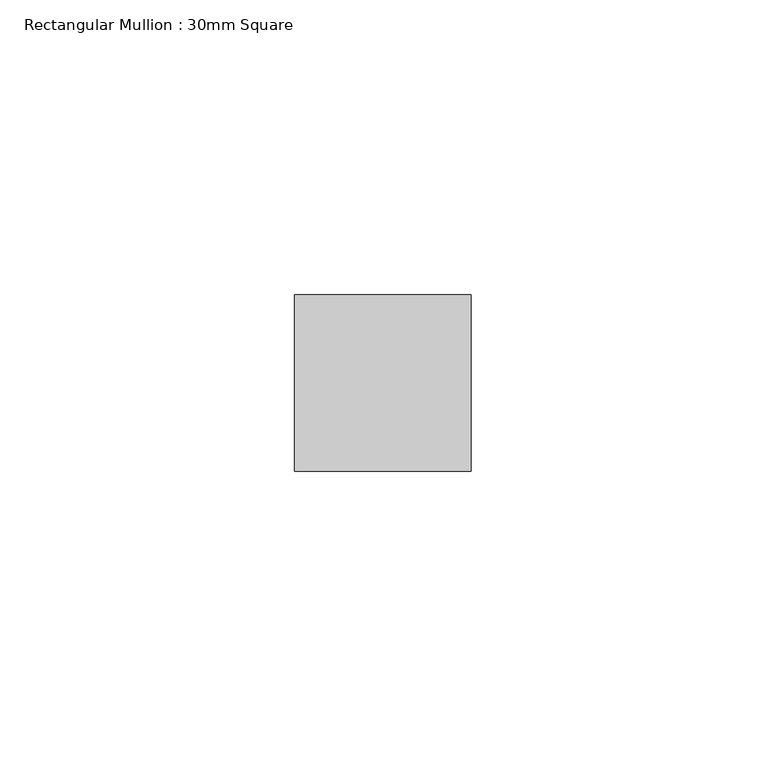
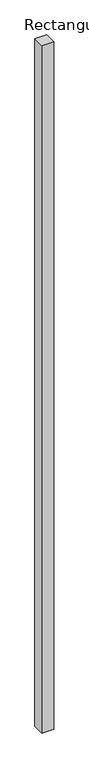
"""IFC4 building model written with IfcOpenShell, lengths in millimetres: member geometry, Rectangular Mullion : 30mm Square."""

import ifcopenshell
import ifcopenshell.guid

model = None  # the IFC model being written
_history = None  # IfcOwnerHistory: only IFC2X3 demands one
_inside = {}  # id of a spatial element -> (the spatial element, [elements in it])
_under = {}  # id of a project, library or spatial element -> (it, [spatial elements below it])
_declared = {}  # id of a project -> (the project, [libraries it declares])
_typed = {}  # id of a type object -> (the type object, [elements of that type])
_made_of = {}  # id of a material, layer set ... -> (it, [elements and type objects made of it])


def new_model(schema):
    """Start an empty IFC model of exactly this schema.

    Asked for "IFC4X3", IfcOpenShell would pick the latest addendum, in which some entities
    have other attributes; the version numbers below select the first issue.
    IFC2X3 requires an IfcOwnerHistory on every rooted entity: one is made here for all.
    """
    global model, _history
    if schema == "IFC4X3":
        model = ifcopenshell.file(schema_version=(4, 3, 0, 0))
    else:
        model = ifcopenshell.file(schema=schema)
    _inside.clear()
    _under.clear()
    _declared.clear()
    _typed.clear()
    _made_of.clear()
    _history = None
    if model.schema == "IFC2X3":
        org = make("IfcOrganization", Name="unknown")
        user = make(
            "IfcPersonAndOrganization",
            ThePerson=make("IfcPerson", FamilyName="unknown"),
            TheOrganization=org,
        )
        app = make(
            "IfcApplication",
            ApplicationDeveloper=org,
            Version="unknown",
            ApplicationFullName="unknown",
            ApplicationIdentifier="unknown",
        )
        _history = make(
            "IfcOwnerHistory",
            OwningUser=user,
            OwningApplication=app,
            ChangeAction="ADDED",
            CreationDate=0,
        )
    return model


def make(cls, **values):
    """One entity of the class cls with the attributes given. An attribute that is None is left unset."""
    return model.create_entity(
        cls, **{name: value for name, value in values.items() if value is not None}
    )


def rooted(cls, **values):
    """An entity with a GlobalId (a new one), such as an element, a storey or a relation."""
    return make(cls, GlobalId=ifcopenshell.guid.new(), OwnerHistory=_history, **values)


def si_unit(unit_type, name, prefix=None):
    """IfcSIUnit, for example si_unit("LENGTHUNIT", "METRE", prefix="MILLI")."""
    return make("IfcSIUnit", UnitType=unit_type, Prefix=prefix, Name=name)


def assignment(units):
    """IfcUnitAssignment: the units of a project."""
    return None if units is None else make("IfcUnitAssignment", Units=units)


def point(xyz):
    """IfcCartesianPoint."""
    return None if xyz is None else make("IfcCartesianPoint", Coordinates=xyz)


def direction(xyz):
    """IfcDirection."""
    return None if xyz is None else make("IfcDirection", DirectionRatios=xyz)


def frame(location, z_axis=None, x_axis=None):
    """IfcAxis2Placement3D, a coordinate frame: its origin and axes. An axis left out is left unset."""
    return make(
        "IfcAxis2Placement3D",
        Location=point(location),
        Axis=direction(z_axis),
        RefDirection=direction(x_axis),
    )


def origin():
    """The frame at (0, 0, 0) with its axes left unset."""
    return frame((0.0, 0.0, 0.0))


def place(relative_to, where):
    """IfcLocalPlacement: puts the frame where relative to a parent placement (None: the world)."""
    return make(
        "IfcLocalPlacement", PlacementRelTo=relative_to, RelativePlacement=where
    )


def context(
    kind, dimensions, precision=None, world=None, true_north=None, identifier=None
):
    """IfcGeometricRepresentationContext, for example the 3D "Model" context."""
    return make(
        "IfcGeometricRepresentationContext",
        ContextIdentifier=identifier,
        ContextType=kind,
        CoordinateSpaceDimension=dimensions,
        Precision=precision,
        WorldCoordinateSystem=world,
        TrueNorth=true_north,
    )


def project(units=None, contexts=None):
    """IfcProject with its units and contexts."""
    return rooted(
        "IfcProject",
        Name="project",
        RepresentationContexts=contexts,
        UnitsInContext=assignment(units),
    )


def spatial(cls, under=None, at=None, **own):
    """A site, building, storey or space (cls), placed at a placement, below another one or the project."""
    s = rooted(cls, ObjectPlacement=at, **own)
    if under is not None:
        _under.setdefault(under.id(), (under, []))[1].append(s)
    return s


def polyline(points):
    """IfcPolyline through the points."""
    return make("IfcPolyline", Points=[point(p) for p in points])


def outline(outer, holes=None, kind="AREA"):
    """IfcArbitraryClosedProfileDef: a profile drawn as a closed curve; with holes, ...WithVoids."""
    if holes is None:
        return make("IfcArbitraryClosedProfileDef", ProfileType=kind, OuterCurve=outer)
    return make(
        "IfcArbitraryProfileDefWithVoids",
        ProfileType=kind,
        OuterCurve=outer,
        InnerCurves=holes,
    )


def extrude(swept, where, along, depth):
    """IfcExtrudedAreaSolid: the profile swept, set in the frame where, extruded along a direction by depth."""
    return make(
        "IfcExtrudedAreaSolid",
        SweptArea=swept,
        Position=where,
        ExtrudedDirection=direction(along),
        Depth=depth,
    )


def shape(context_of_items, identifier, shape_type, items):
    """IfcShapeRepresentation: the items that make up one representation, for example the "Body"."""
    return make(
        "IfcShapeRepresentation",
        ContextOfItems=context_of_items,
        RepresentationIdentifier=identifier,
        RepresentationType=shape_type,
        Items=items,
    )


def source(mapping_origin, context_of_items, identifier, shape_type, items):
    """IfcRepresentationMap: a shape defined once, which mapped items show again and again."""
    return make(
        "IfcRepresentationMap",
        MappingOrigin=mapping_origin,
        MappedRepresentation=shape(context_of_items, identifier, shape_type, items),
    )


def transform(
    local_origin,
    x_axis=None,
    y_axis=None,
    z_axis=None,
    scale=None,
    scale2=None,
    scale3=None,
    uniform=True,
):
    """IfcCartesianTransformationOperator3D, or its non-uniform kind. x_axis, y_axis, z_axis: its Axis1, 2, 3."""
    if uniform:
        return make(
            "IfcCartesianTransformationOperator3D",
            Axis1=direction(x_axis),
            Axis2=direction(y_axis),
            LocalOrigin=point(local_origin),
            Scale=scale,
            Axis3=direction(z_axis),
        )
    return make(
        "IfcCartesianTransformationOperator3DnonUniform",
        Axis1=direction(x_axis),
        Axis2=direction(y_axis),
        LocalOrigin=point(local_origin),
        Scale=scale,
        Axis3=direction(z_axis),
        Scale2=scale2,
        Scale3=scale3,
    )


def mapped(mapping_source, mapping_target):
    """IfcMappedItem: shows the shape of a source again, moved by a transform."""
    return make(
        "IfcMappedItem", MappingSource=mapping_source, MappingTarget=mapping_target
    )


def made_of(thing, what):
    """Note that an element or type object is made of a material, layer set ...; save() writes the relation."""
    if what is not None:
        _made_of.setdefault(what.id(), (what, []))[1].append(thing)
    return thing


def element(
    cls,
    number,
    at=None,
    inside=None,
    cuts=None,
    type_object=None,
    material=None,
    context=None,
    identifier="Body",
    shape_type=None,
    held_by="IfcProductDefinitionShape",
    body=None,
    shapes=None,
    **own,
):
    """One element of the class cls, such as IfcWall. Its Tag is "e" and its number.

    at: its placement. inside: the storey or other place that contains it. cuts: it is an
    opening in that element (IfcRelVoidsElement). A single representation is given by context,
    identifier, shape_type and body (its items); several are given by shapes. held_by: the class
    of the entity that holds the representations. save() writes the other relations.
    """
    e = rooted(cls, Tag="e%d" % number, ObjectPlacement=at, **own)
    if body is not None:
        shapes = [shape(context, identifier, shape_type, body)]
    if shapes is not None:
        e.Representation = make(held_by, Representations=shapes)
    if inside is not None:
        _inside.setdefault(inside.id(), (inside, []))[1].append(e)
    if cuts is not None:
        rooted(
            "IfcRelVoidsElement", RelatingBuildingElement=cuts, RelatedOpeningElement=e
        )
    if type_object is not None:
        _typed.setdefault(type_object.id(), (type_object, []))[1].append(e)
    return made_of(e, material)


def aggregate(whole, parts):
    """IfcRelAggregates: a whole, such as a stair, and the parts it consists of."""
    return rooted("IfcRelAggregates", RelatingObject=whole, RelatedObjects=parts)


def save(model, path):
    """Write the relations noted so far, then the file.

    IfcRelAggregates (storeys below a building ...), IfcRelContainedInSpatialStructure (elements
    in a storey), IfcRelDefinesByType, IfcRelAssociatesMaterial and IfcRelDeclares: one each for
    every whole, place, type object, material and project.
    """
    for whole, parts in _under.values():
        aggregate(whole, parts)
    for where, things in _inside.values():
        rooted(
            "IfcRelContainedInSpatialStructure",
            RelatedElements=things,
            RelatingStructure=where,
        )
    for kind, things in _typed.values():
        rooted("IfcRelDefinesByType", RelatedObjects=things, RelatingType=kind)
    for what, things in _made_of.values():
        rooted("IfcRelAssociatesMaterial", RelatedObjects=things, RelatingMaterial=what)
    for by, libraries in _declared.values():
        rooted("IfcRelDeclares", RelatingContext=by, RelatedDefinitions=libraries)
    model.write(path)


def rectangular_mullion_30mm_square_b8f58249(model_context):
    return source(origin(), model_context, "Body", "SweptSolid", [
        extrude(outline(polyline([(15.0, 15.0), (15.0, -15.0), (-15.0, -15.0), (-15.0, 15.0), (15.0, 15.0)])), frame((0.0, 0.0, -1834.3025596), z_axis=(0.0, 0.0, 1.0), x_axis=(1.0, 0.0, 0.0)), (0.0, 0.0, 1.0), 1834.3025596),
    ])


if __name__ == "__main__":
    model = new_model("IFC4")
    model_context = context("Model", 3, world=origin())
    ifc_project = project(units=[si_unit("LENGTHUNIT", "METRE", prefix="MILLI")], contexts=[model_context])
    site = spatial("IfcSite", under=ifc_project)
    building = spatial("IfcBuilding", under=site)
    placement = place(None, origin())
    rectangular_mullion_30mm_square_shape = rectangular_mullion_30mm_square_b8f58249(model_context)
    element("IfcMember", 1, ObjectType="Rectangular Mullion : 30mm Square", at=placement, inside=building, context=model_context, shape_type="MappedRepresentation", body=[
        mapped(rectangular_mullion_30mm_square_shape, transform((0.0, 0.0, 0.0), x_axis=(1.0, 0.0, 0.0), y_axis=(0.0, 1.0, 0.0), z_axis=(0.0, 0.0, 1.0))),
    ])
    save(model, "model.ifc")
